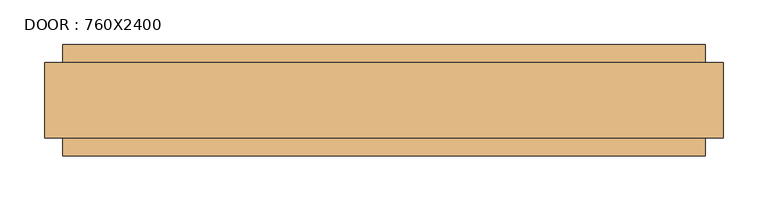
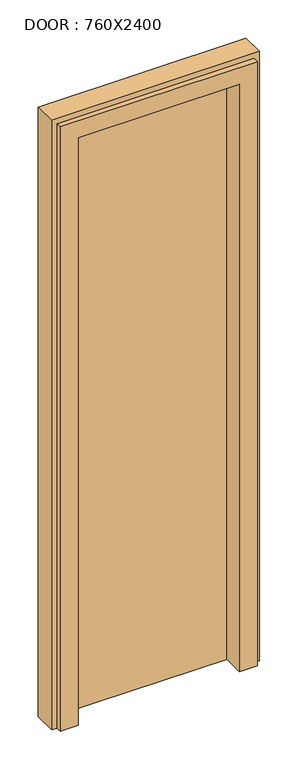
"""IFC4 building model written with IfcOpenShell, lengths in millimetres: door geometry, DOOR : 760X2400."""

from ifc_helpers import new_model, si_unit, frame, origin, place, context, project, spatial, polyline, outline, extrude, faceted_brep, source, transform, mapped, element, save


def door_760x2400_76922620(model_context):
    return source(origin(), model_context, "Body", "SolidModel", [
        faceted_brep([(223.0, 75.0, 50.0), (275.0, 75.0, 50.0), (275.0, 55.0, 50.0), (295.0, 55.0, 50.0), (295.0, -30.0, 50.0), (275.0, -30.0, 50.0), (275.0, -50.0, 50.0), (210.0, -50.0, 50.0), (210.0, 30.0, 50.0), (223.0, 30.0, 50.0), (223.0, 30.0, 2328.0), (223.0, 75.0, 2328.0), (210.0, 30.0, 2315.0), (-380.0, 30.0, 2315.0), (-380.0, 30.0, 50.0), (-393.0, 30.0, 50.0), (-393.0, 30.0, 2328.0), (210.0, -50.0, 2315.0), (275.0, -50.0, 2380.0), (-445.0, -50.0, 2380.0), (-445.0, -50.0, 50.0), (-380.0, -50.0, 50.0), (-380.0, -50.0, 2315.0), (275.0, -30.0, 2380.0), (295.0, -30.0, 2400.0), (-465.0, -30.0, 2400.0), (-465.0, -30.0, 50.0), (-445.0, -30.0, 50.0), (-445.0, -30.0, 2380.0), (295.0, 55.0, 2400.0), (275.0, 55.0, 2380.0), (-445.0, 55.0, 2380.0), (-445.0, 55.0, 50.0), (-465.0, 55.0, 50.0), (-465.0, 55.0, 2400.0), (275.0, 75.0, 2380.0), (-393.0, 75.0, 2328.0), (-393.0, 75.0, 50.0), (-445.0, 75.0, 50.0), (-445.0, 75.0, 2380.0)], [[[0, 1, 2, 3, 4, 5, 6, 7, 8, 9]], [[9, 10, 11, 0]], [[8, 12, 13, 14, 15, 16, 10, 9]], [[7, 17, 12, 8]], [[6, 18, 19, 20, 21, 22, 17, 7]], [[5, 23, 18, 6]], [[4, 24, 25, 26, 27, 28, 23, 5]], [[3, 29, 24, 4]], [[2, 30, 31, 32, 33, 34, 29, 3]], [[1, 35, 30, 2]], [[0, 11, 36, 37, 38, 39, 35, 1]], [[16, 15, 37, 36]], [[37, 15, 14, 21, 20, 27, 26, 33, 32, 38]], [[22, 21, 14, 13]], [[28, 27, 20, 19]], [[34, 33, 26, 25]], [[39, 38, 32, 31]], [[10, 16, 36, 11]], [[17, 22, 13, 12]], [[23, 28, 19, 18]], [[29, 34, 25, 24]], [[35, 39, 31, 30]]]),
        extrude(outline(polyline([(223.0, 75.0), (223.0, 30.0), (-393.0, 30.0), (-393.0, 75.0), (223.0, 75.0)])), frame((0.0, 0.0, 50.0), z_axis=(0.0, 0.0, 1.0), x_axis=(1.0, 0.0, 0.0)), (0.0, 0.0, 1.0), 2278.0),
    ])


if __name__ == "__main__":
    model = new_model("IFC4")
    model_context = context("Model", 3, world=origin())
    ifc_project = project(units=[si_unit("LENGTHUNIT", "METRE", prefix="MILLI")], contexts=[model_context])
    site = spatial("IfcSite", under=ifc_project)
    building = spatial("IfcBuilding", under=site)
    placement = place(None, origin())
    door_760x2400_shape = door_760x2400_76922620(model_context)
    element("IfcDoor", 1, ObjectType="DOOR : 760X2400", at=placement, inside=building, context=model_context, shape_type="MappedRepresentation", body=[
        mapped(door_760x2400_shape, transform((0.0, 0.0, 0.0), x_axis=(1.0, 0.0, 0.0), y_axis=(0.0, 1.0, 0.0), z_axis=(0.0, 0.0, 1.0))),
    ])
    save(model, "model.ifc")
